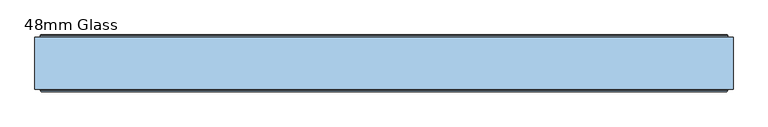
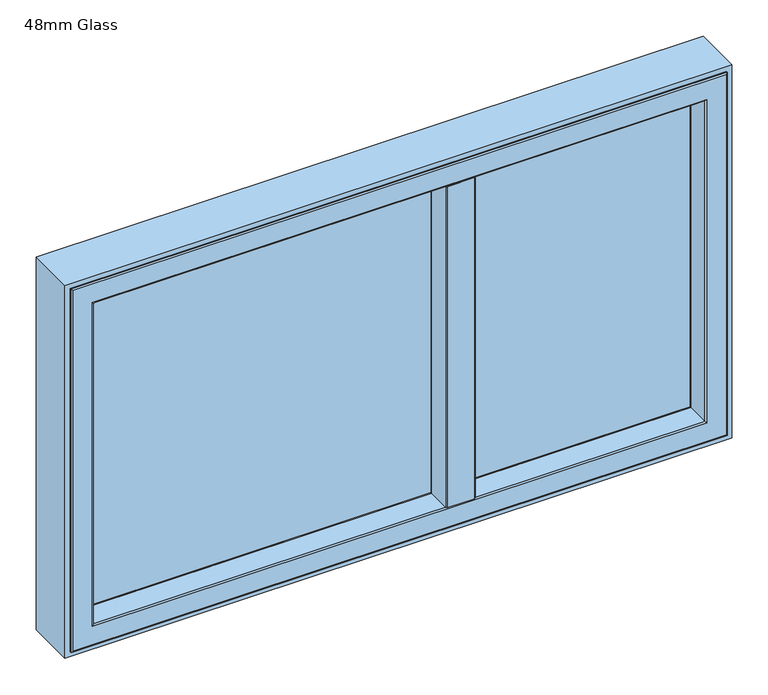
"""IFC4 building model written with IfcOpenShell, lengths in millimetres: window geometry, 48mm Glass."""

from ifc_helpers import new_model, si_unit, frame, origin, place, context, project, spatial, polyline, circle_curve, ellipse_curve, outline, extrude, source, transform, mapped, element, save
from ifc_brep_helpers import plane_surface, cylinder_surface, revolved_surface, advanced_brep


def window_48mm_glass_4b44fd19(model_context):
    return source(origin(), model_context, "Body", "SolidModel", [
        extrude(outline(polyline([(119.0, 93.0), (-702.0, 93.0), (-702.0, 141.0), (119.0, 141.0), (119.0, 93.0)])), frame((0.0, 0.0, 848.0), z_axis=(0.0, 0.0, 1.0), x_axis=(1.0, 0.0, 0.0)), (0.0, 0.0, 1.0), 792.0),
        advanced_brep(
        [(105.0, 142.3448353, 1626.0), (107.8884017, 151.7923717, 1628.8884017), (107.8884017, 151.7923717, 859.1115983), (105.0, 142.3448353, 862.0), (105.0, 141.0, 1626.0), (105.0, 141.0, 862.0), (119.0, 93.0, 1640.0), (119.0, 141.0, 1640.0), (119.0, 141.0, 848.0), (119.0, 93.0, 848.0), (105.0, 90.0, 1626.0), (105.0, 93.0, 1626.0), (105.0, 93.0, 862.0), (105.0, 90.0, 862.0), (129.822025, 145.5609347, 1650.822025), (123.0, 90.0, 1644.0), (123.0, 90.0, 844.0), (129.822025, 145.5609347, 837.177975), (130.6, 147.2, 1651.6), (130.6, 147.2, 836.4), (130.6, 150.5, 1651.6), (130.6, 150.5, 836.4), (126.22, 151.5, 1647.22), (126.22, 150.5, 1647.22), (126.22, 150.5, 840.78), (126.22, 151.5, 840.78), (125.22, 152.5, 1646.22), (125.22, 152.5, 841.78), (108.8447065, 152.5, 1629.8447065), (108.8447065, 152.5, 858.1552935), (-690.8884017, 151.7923717, 859.1115983), (-688.0, 142.3448353, 862.0), (-688.0, 141.0, 862.0), (-702.0, 141.0, 848.0), (-702.0, 93.0, 848.0), (-688.0, 93.0, 862.0), (-688.0, 90.0, 862.0), (-706.0, 90.0, 844.0), (-712.822025, 145.5609347, 837.177975), (-713.6, 147.2, 836.4), (-713.6, 150.5, 836.4), (-709.22, 150.5, 840.78), (-709.22, 151.5, 840.78), (-708.22, 152.5, 841.78), (-691.8447065, 152.5, 858.1552935), (-690.8884017, 151.7923717, 1628.8884017), (-688.0, 142.3448353, 1626.0), (-688.0, 141.0, 1626.0), (-702.0, 141.0, 1640.0), (-702.0, 93.0, 1640.0), (-688.0, 93.0, 1626.0), (-688.0, 90.0, 1626.0), (-706.0, 90.0, 1644.0), (-712.822025, 145.5609347, 1650.822025), (-713.6, 147.2, 1651.6), (-713.6, 150.5, 1651.6), (-709.22, 150.5, 1647.22), (-709.22, 151.5, 1647.22), (-708.22, 152.5, 1646.22), (-691.8447065, 152.5, 1629.8447065)],
        [
            (0, 1),
            (1, 2),
            (2, 3),
            (3, 0),
            (4, 0),
            (3, 5),
            (5, 4),
            (6, 7),
            (7, 8),
            (8, 9),
            (9, 6),
            (10, 11),
            (11, 12),
            (12, 13),
            (13, 10),
            (14, 15),
            (15, 16),
            (16, 17),
            (17, 14),
            (18, 14),
            (17, 19),
            (19, 18),
            (20, 18),
            (19, 21),
            (21, 20),
            (22, 23),
            (23, 24),
            (24, 25),
            (25, 22),
            (26, 22, ellipse_curve(frame((125.22, 151.5, 1646.22), z_axis=(0.7071067811865475, 0.0, -0.7071067811865475), x_axis=(0.7071067811865474, 0.0, 0.7071067811865476)), 1.4142136, 1.0)),
            (25, 27, ellipse_curve(frame((125.22, 151.5, 841.78), z_axis=(0.7071067811865475, 0.0, 0.7071067811865475), x_axis=(-0.7071067811865474, 0.0, 0.7071067811865476)), 1.4142136, 1.0)),
            (27, 26),
            (1, 28, ellipse_curve(frame((108.8447065, 151.5, 1629.8447065), z_axis=(0.7071067811865475, 0.0, -0.7071067811865475), x_axis=(0.7071067811865474, 0.0, 0.7071067811865476)), 1.4142136, 1.0)),
            (28, 29),
            (29, 2, ellipse_curve(frame((108.8447065, 151.5, 858.1552935), z_axis=(0.7071067811865475, 0.0, 0.7071067811865475), x_axis=(-0.7071067811865474, 0.0, 0.7071067811865476)), 1.4142136, 1.0)),
            (2, 30),
            (30, 31),
            (31, 3),
            (31, 32),
            (32, 5),
            (8, 33),
            (33, 34),
            (34, 9),
            (12, 35),
            (35, 36),
            (36, 13),
            (16, 37),
            (37, 38),
            (38, 17),
            (38, 39),
            (39, 19),
            (39, 40),
            (40, 21),
            (24, 41),
            (41, 42),
            (42, 25),
            (42, 43, ellipse_curve(frame((-708.22, 151.5, 841.78), z_axis=(0.7071067811865475, 0.0, -0.7071067811865475), x_axis=(0.7071067811865476, 0.0, 0.7071067811865474)), 1.4142136, 1.0)),
            (43, 27),
            (29, 44),
            (44, 30, ellipse_curve(frame((-691.8447065, 151.5, 858.1552935), z_axis=(0.7071067811865475, 0.0, -0.7071067811865475), x_axis=(0.7071067811865476, 0.0, 0.7071067811865474)), 1.4142136, 1.0)),
            (30, 45),
            (45, 46),
            (46, 31),
            (46, 47),
            (47, 32),
            (33, 48),
            (48, 49),
            (49, 34),
            (35, 50),
            (50, 51),
            (51, 36),
            (37, 52),
            (52, 53),
            (53, 38),
            (53, 54),
            (54, 39),
            (54, 55),
            (55, 40),
            (41, 56),
            (56, 57),
            (57, 42),
            (57, 58, ellipse_curve(frame((-708.22, 151.5, 1646.22), z_axis=(-0.7071067811865475, 0.0, -0.7071067811865475), x_axis=(0.7071067811865474, 0.0, -0.7071067811865476)), 1.4142136, 1.0)),
            (58, 43),
            (44, 59),
            (59, 45, ellipse_curve(frame((-691.8447065, 151.5, 1629.8447065), z_axis=(-0.7071067811865475, 0.0, -0.7071067811865475), x_axis=(0.7071067811865474, 0.0, -0.7071067811865476)), 1.4142136, 1.0)),
            (45, 1),
            (0, 46),
            (4, 47),
            (7, 48),
            (6, 49),
            (11, 50),
            (10, 51),
            (15, 52),
            (14, 53),
            (18, 54),
            (20, 55),
            (23, 56),
            (22, 57),
            (26, 58),
            (28, 59),
        ],
        [
            plane_surface(frame((107.8884017, 151.7923717, 1628.8884017), z_axis=(-0.9563047559630347, 0.29237170472273977, 0.0), x_axis=(0.0, 0.0, -1.0))),
            plane_surface(frame((105.0, 142.3448353, 1626.0), z_axis=(-1.0, 0.0, 0.0), x_axis=(0.0, 0.0, -1.0))),
            plane_surface(frame((119.0, 141.0, 1640.0), z_axis=(-1.0, 0.0, 0.0), x_axis=(0.0, 0.0, -1.0))),
            plane_surface(frame((105.0, 93.0, 1626.0), z_axis=(-1.0, 0.0, 0.0), x_axis=(0.0, 0.0, -1.0))),
            plane_surface(frame((123.0, 90.0, 1644.0), z_axis=(0.9925461516413231, -0.12186934340513905, 0.0), x_axis=(0.0, 0.0, -1.0))),
            plane_surface(frame((129.822025, 145.5609347, 1650.822025), z_axis=(0.9034015732556399, -0.4287955193786835, 0.0), x_axis=(0.0, 0.0, -1.0))),
            plane_surface(frame((130.6, 147.2, 1651.6), z_axis=(1.0, 0.0, 0.0), x_axis=(0.0, 0.0, -1.0))),
            plane_surface(frame((126.22, 150.5, 1647.22), z_axis=(1.0, 0.0, 0.0), x_axis=(0.0, 0.0, -1.0))),
            cylinder_surface(frame((125.22, 151.5, 1676.0), z_axis=(0.0, 0.0, 1.0), x_axis=(0.0, -1.0, 0.0)), 1.0),
            cylinder_surface(frame((108.8447065, 151.5, 1676.0), z_axis=(0.0, 0.0, 1.0), x_axis=(0.0, -1.0, 0.0)), 1.0),
            plane_surface(frame((107.8884017, 151.7923717, 859.1115983), z_axis=(0.0, 0.29237170472273977, 0.9563047559630347), x_axis=(-1.0, 0.0, 0.0))),
            plane_surface(frame((105.0, 142.3448353, 862.0), z_axis=(0.0, 0.0, 1.0), x_axis=(-1.0, 0.0, 0.0))),
            plane_surface(frame((119.0, 141.0, 848.0), z_axis=(0.0, 0.0, 1.0), x_axis=(-1.0, 0.0, 0.0))),
            plane_surface(frame((105.0, 93.0, 862.0), z_axis=(0.0, 0.0, 1.0), x_axis=(-1.0, 0.0, 0.0))),
            plane_surface(frame((123.0, 90.0, 844.0), z_axis=(0.0, -0.12186934340513905, -0.9925461516413231), x_axis=(-1.0, 0.0, 0.0))),
            plane_surface(frame((129.822025, 145.5609347, 837.177975), z_axis=(0.0, -0.4287955193786835, -0.9034015732556399), x_axis=(-1.0, 0.0, 0.0))),
            plane_surface(frame((130.6, 147.2, 836.4), z_axis=(0.0, 0.0, -1.0), x_axis=(-1.0, 0.0, 0.0))),
            plane_surface(frame((126.22, 150.5, 840.78), z_axis=(0.0, 0.0, -1.0), x_axis=(-1.0, 0.0, 0.0))),
            cylinder_surface(frame((155.0, 151.5, 841.78), z_axis=(1.0, 0.0, 0.0), x_axis=(0.0, -1.0, 0.0)), 1.0),
            cylinder_surface(frame((155.0, 151.5, 858.1552935), z_axis=(1.0, 0.0, 0.0), x_axis=(0.0, -1.0, 0.0)), 1.0),
            plane_surface(frame((-690.8884017, 151.7923717, 859.1115983), z_axis=(0.9563047559630347, 0.29237170472273977, 0.0), x_axis=(0.0, 0.0, 1.0))),
            plane_surface(frame((-688.0, 142.3448353, 862.0), z_axis=(1.0, 0.0, 0.0), x_axis=(0.0, 0.0, 1.0))),
            plane_surface(frame((-702.0, 141.0, 848.0), z_axis=(1.0, 0.0, 0.0), x_axis=(0.0, 0.0, 1.0))),
            plane_surface(frame((-688.0, 93.0, 862.0), z_axis=(1.0, 0.0, 0.0), x_axis=(0.0, 0.0, 1.0))),
            plane_surface(frame((-706.0, 90.0, 844.0), z_axis=(-0.9925461516413231, -0.12186934340513905, 0.0), x_axis=(0.0, 0.0, 1.0))),
            plane_surface(frame((-712.822025, 145.5609347, 837.177975), z_axis=(-0.9034015732556399, -0.4287955193786835, 0.0), x_axis=(0.0, 0.0, 1.0))),
            plane_surface(frame((-713.6, 147.2, 836.4), z_axis=(-1.0, 0.0, 0.0), x_axis=(0.0, 0.0, 1.0))),
            plane_surface(frame((-709.22, 150.5, 840.78), z_axis=(-1.0, 0.0, 0.0), x_axis=(0.0, 0.0, 1.0))),
            cylinder_surface(frame((-708.22, 151.5, 812.0), z_axis=(0.0, 0.0, -1.0), x_axis=(0.0, -1.0, 0.0)), 1.0),
            cylinder_surface(frame((-691.8447065, 151.5, 812.0), z_axis=(0.0, 0.0, -1.0), x_axis=(0.0, -1.0, 0.0)), 1.0),
            plane_surface(frame((-690.8884017, 151.7923717, 1628.8884017), z_axis=(0.0, 0.29237170472273977, -0.9563047559630347), x_axis=(1.0, 0.0, 0.0))),
            plane_surface(frame((-688.0, 142.3448353, 1626.0), z_axis=(0.0, 0.0, -1.0), x_axis=(1.0, 0.0, 0.0))),
            plane_surface(frame((-688.0, 141.0, 1626.0), z_axis=(0.0, -1.0, 0.0), x_axis=(1.0, 0.0, 0.0))),
            plane_surface(frame((-702.0, 141.0, 1640.0), z_axis=(0.0, 0.0, -1.0), x_axis=(1.0, 0.0, 0.0))),
            plane_surface(frame((-702.0, 93.0, 1640.0), z_axis=(0.0, 1.0, 0.0), x_axis=(1.0, 0.0, 0.0))),
            plane_surface(frame((-688.0, 93.0, 1626.0), z_axis=(0.0, 0.0, -1.0), x_axis=(1.0, 0.0, 0.0))),
            plane_surface(frame((-688.0, 90.0, 1626.0), z_axis=(0.0, -1.0, 0.0), x_axis=(1.0, 0.0, 0.0))),
            plane_surface(frame((-706.0, 90.0, 1644.0), z_axis=(0.0, -0.12186934340513905, 0.9925461516413231), x_axis=(1.0, 0.0, 0.0))),
            plane_surface(frame((-712.822025, 145.5609347, 1650.822025), z_axis=(0.0, -0.4287955193786835, 0.9034015732556399), x_axis=(1.0, 0.0, 0.0))),
            plane_surface(frame((-713.6, 147.2, 1651.6), z_axis=(0.0, 0.0, 1.0), x_axis=(1.0, 0.0, 0.0))),
            plane_surface(frame((-713.6, 150.5, 1651.6), z_axis=(0.0, 1.0, 0.0), x_axis=(1.0, 0.0, 0.0))),
            plane_surface(frame((-709.22, 150.5, 1647.22), z_axis=(0.0, 0.0, 1.0), x_axis=(1.0, 0.0, 0.0))),
            cylinder_surface(frame((-738.0, 151.5, 1646.22), z_axis=(-1.0, 0.0, 0.0), x_axis=(0.0, -1.0, 0.0)), 1.0),
            plane_surface(frame((-708.22, 152.5, 1646.22), z_axis=(0.0, 1.0, 0.0), x_axis=(1.0, 0.0, 0.0))),
            cylinder_surface(frame((-738.0, 151.5, 1629.8447065), z_axis=(-1.0, 0.0, 0.0), x_axis=(0.0, -1.0, 0.0)), 1.0),
        ],
        [
            (0, [[1, 2, 3, 4]]),
            (1, [[5, -4, 6, 7]]),
            (2, [[8, 9, 10, 11]]),
            (3, [[12, 13, 14, 15]]),
            (4, [[16, 17, 18, 19]]),
            (5, [[20, -19, 21, 22]]),
            (6, [[23, -22, 24, 25]]),
            (7, [[26, 27, 28, 29]]),
            (8, [[30, -29, 31, 32]]),
            (9, [[33, 34, 35, -2]]),
            (10, [[-3, 36, 37, 38]]),
            (11, [[-6, -38, 39, 40]]),
            (12, [[-10, 41, 42, 43]]),
            (13, [[-14, 44, 45, 46]]),
            (14, [[-18, 47, 48, 49]]),
            (15, [[-21, -49, 50, 51]]),
            (16, [[-24, -51, 52, 53]]),
            (17, [[-28, 54, 55, 56]]),
            (18, [[-31, -56, 57, 58]]),
            (19, [[-35, 59, 60, -36]]),
            (20, [[-37, 61, 62, 63]]),
            (21, [[-39, -63, 64, 65]]),
            (22, [[-42, 66, 67, 68]]),
            (23, [[-45, 69, 70, 71]]),
            (24, [[-48, 72, 73, 74]]),
            (25, [[-50, -74, 75, 76]]),
            (26, [[-52, -76, 77, 78]]),
            (27, [[-55, 79, 80, 81]]),
            (28, [[-57, -81, 82, 83]]),
            (29, [[-60, 84, 85, -61]]),
            (30, [[-62, 86, -1, 87]]),
            (31, [[-64, -87, -5, 88]]),
            (32, [[89, -66, -41, -9], [-40, -65, -88, -7]]),
            (33, [[-67, -89, -8, 90]]),
            (34, [[-43, -68, -90, -11], [91, -69, -44, -13]]),
            (35, [[-70, -91, -12, 92]]),
            (36, [[93, -72, -47, -17], [-46, -71, -92, -15]]),
            (37, [[-73, -93, -16, 94]]),
            (38, [[-75, -94, -20, 95]]),
            (39, [[-77, -95, -23, 96]]),
            (40, [[-53, -78, -96, -25], [97, -79, -54, -27]]),
            (41, [[-80, -97, -26, 98]]),
            (42, [[-82, -98, -30, 99]]),
            (43, [[-58, -83, -99, -32], [100, -84, -59, -34]]),
            (44, [[-85, -100, -33, -86]]),
        ],
    ),
        extrude(outline(polyline([(702.0, 93.0), (157.0, 93.0), (157.0, 141.0), (702.0, 141.0), (702.0, 93.0)])), frame((0.0, 0.0, 848.0), z_axis=(0.0, 0.0, 1.0), x_axis=(1.0, 0.0, 0.0)), (0.0, 0.0, 1.0), 792.0),
        advanced_brep(
        [(688.0, 142.3448353, 1626.0), (690.8884017, 151.7923717, 1628.8884017), (690.8884017, 151.7923717, 859.1115983), (688.0, 142.3448353, 862.0), (688.0, 141.0, 1626.0), (688.0, 141.0, 862.0), (702.0, 93.0, 1640.0), (702.0, 141.0, 1640.0), (702.0, 141.0, 848.0), (702.0, 93.0, 848.0), (688.0, 90.0, 1626.0), (688.0, 93.0, 1626.0), (688.0, 93.0, 862.0), (688.0, 90.0, 862.0), (712.822025, 145.5609347, 1650.822025), (706.0, 90.0, 1644.0), (706.0, 90.0, 844.0), (712.822025, 145.5609347, 837.177975), (713.6, 147.2, 1651.6), (713.6, 147.2, 836.4), (713.6, 150.5, 1651.6), (713.6, 150.5, 836.4), (709.22, 151.5, 1647.22), (709.22, 150.5, 1647.22), (709.22, 150.5, 840.78), (709.22, 151.5, 840.78), (708.22, 152.5, 1646.22), (708.22, 152.5, 841.78), (691.8447065, 152.5, 1629.8447065), (691.8447065, 152.5, 858.1552935), (168.1115983, 151.7923717, 859.1115983), (171.0, 142.3448353, 862.0), (171.0, 141.0, 862.0), (157.0, 141.0, 848.0), (157.0, 93.0, 848.0), (171.0, 93.0, 862.0), (171.0, 90.0, 862.0), (153.0, 90.0, 844.0), (146.177975, 145.5609347, 837.177975), (145.4, 147.2, 836.4), (145.4, 150.5, 836.4), (149.78, 150.5, 840.78), (149.78, 151.5, 840.78), (150.78, 152.5, 841.78), (167.1552935, 152.5, 858.1552935), (168.1115983, 151.7923717, 1628.8884017), (171.0, 142.3448353, 1626.0), (171.0, 141.0, 1626.0), (157.0, 141.0, 1640.0), (157.0, 93.0, 1640.0), (171.0, 93.0, 1626.0), (171.0, 90.0, 1626.0), (153.0, 90.0, 1644.0), (146.177975, 145.5609347, 1650.822025), (145.4, 147.2, 1651.6), (145.4, 150.5, 1651.6), (149.78, 150.5, 1647.22), (149.78, 151.5, 1647.22), (150.78, 152.5, 1646.22), (167.1552935, 152.5, 1629.8447065)],
        [
            (0, 1),
            (1, 2),
            (2, 3),
            (3, 0),
            (4, 0),
            (3, 5),
            (5, 4),
            (6, 7),
            (7, 8),
            (8, 9),
            (9, 6),
            (10, 11),
            (11, 12),
            (12, 13),
            (13, 10),
            (14, 15),
            (15, 16),
            (16, 17),
            (17, 14),
            (18, 14),
            (17, 19),
            (19, 18),
            (20, 18),
            (19, 21),
            (21, 20),
            (22, 23),
            (23, 24),
            (24, 25),
            (25, 22),
            (26, 22, ellipse_curve(frame((708.22, 151.5, 1646.22), z_axis=(0.7071067811865475, 0.0, -0.7071067811865475), x_axis=(0.7071067811865474, 0.0, 0.7071067811865476)), 1.4142136, 1.0)),
            (25, 27, ellipse_curve(frame((708.22, 151.5, 841.78), z_axis=(0.7071067811865475, 0.0, 0.7071067811865475), x_axis=(-0.7071067811865474, 0.0, 0.7071067811865476)), 1.4142136, 1.0)),
            (27, 26),
            (1, 28, ellipse_curve(frame((691.8447065, 151.5, 1629.8447065), z_axis=(0.7071067811865475, 0.0, -0.7071067811865475), x_axis=(0.7071067811865474, 0.0, 0.7071067811865476)), 1.4142136, 1.0)),
            (28, 29),
            (29, 2, ellipse_curve(frame((691.8447065, 151.5, 858.1552935), z_axis=(0.7071067811865475, 0.0, 0.7071067811865475), x_axis=(-0.7071067811865474, 0.0, 0.7071067811865476)), 1.4142136, 1.0)),
            (2, 30),
            (30, 31),
            (31, 3),
            (31, 32),
            (32, 5),
            (8, 33),
            (33, 34),
            (34, 9),
            (12, 35),
            (35, 36),
            (36, 13),
            (16, 37),
            (37, 38),
            (38, 17),
            (38, 39),
            (39, 19),
            (39, 40),
            (40, 21),
            (24, 41),
            (41, 42),
            (42, 25),
            (42, 43, ellipse_curve(frame((150.78, 151.5, 841.78), z_axis=(0.7071067811865475, 0.0, -0.7071067811865475), x_axis=(0.7071067811865476, 0.0, 0.7071067811865474)), 1.4142136, 1.0)),
            (43, 27),
            (29, 44),
            (44, 30, ellipse_curve(frame((167.1552935, 151.5, 858.1552935), z_axis=(0.7071067811865475, 0.0, -0.7071067811865475), x_axis=(0.7071067811865476, 0.0, 0.7071067811865474)), 1.4142136, 1.0)),
            (30, 45),
            (45, 46),
            (46, 31),
            (46, 47),
            (47, 32),
            (33, 48),
            (48, 49),
            (49, 34),
            (35, 50),
            (50, 51),
            (51, 36),
            (37, 52),
            (52, 53),
            (53, 38),
            (53, 54),
            (54, 39),
            (54, 55),
            (55, 40),
            (41, 56),
            (56, 57),
            (57, 42),
            (57, 58, ellipse_curve(frame((150.78, 151.5, 1646.22), z_axis=(-0.7071067811865475, 0.0, -0.7071067811865475), x_axis=(0.7071067811865474, 0.0, -0.7071067811865476)), 1.4142136, 1.0)),
            (58, 43),
            (44, 59),
            (59, 45, ellipse_curve(frame((167.1552935, 151.5, 1629.8447065), z_axis=(-0.7071067811865475, 0.0, -0.7071067811865475), x_axis=(0.7071067811865474, 0.0, -0.7071067811865476)), 1.4142136, 1.0)),
            (45, 1),
            (0, 46),
            (4, 47),
            (7, 48),
            (6, 49),
            (11, 50),
            (10, 51),
            (15, 52),
            (14, 53),
            (18, 54),
            (20, 55),
            (23, 56),
            (22, 57),
            (26, 58),
            (28, 59),
        ],
        [
            plane_surface(frame((690.8884017, 151.7923717, 1628.8884017), z_axis=(-0.9563047559630347, 0.29237170472273977, 0.0), x_axis=(0.0, 0.0, -1.0))),
            plane_surface(frame((688.0, 142.3448353, 1626.0), z_axis=(-1.0, 0.0, 0.0), x_axis=(0.0, 0.0, -1.0))),
            plane_surface(frame((702.0, 141.0, 1640.0), z_axis=(-1.0, 0.0, 0.0), x_axis=(0.0, 0.0, -1.0))),
            plane_surface(frame((688.0, 93.0, 1626.0), z_axis=(-1.0, 0.0, 0.0), x_axis=(0.0, 0.0, -1.0))),
            plane_surface(frame((706.0, 90.0, 1644.0), z_axis=(0.9925461516413231, -0.12186934340513905, 0.0), x_axis=(0.0, 0.0, -1.0))),
            plane_surface(frame((712.822025, 145.5609347, 1650.822025), z_axis=(0.9034015732556399, -0.4287955193786835, 0.0), x_axis=(0.0, 0.0, -1.0))),
            plane_surface(frame((713.6, 147.2, 1651.6), z_axis=(1.0, 0.0, 0.0), x_axis=(0.0, 0.0, -1.0))),
            plane_surface(frame((709.22, 150.5, 1647.22), z_axis=(1.0, 0.0, 0.0), x_axis=(0.0, 0.0, -1.0))),
            cylinder_surface(frame((708.22, 151.5, 1676.0), z_axis=(0.0, 0.0, 1.0), x_axis=(0.0, -1.0, 0.0)), 1.0),
            cylinder_surface(frame((691.8447065, 151.5, 1676.0), z_axis=(0.0, 0.0, 1.0), x_axis=(0.0, -1.0, 0.0)), 1.0),
            plane_surface(frame((690.8884017, 151.7923717, 859.1115983), z_axis=(0.0, 0.29237170472273977, 0.9563047559630347), x_axis=(-1.0, 0.0, 0.0))),
            plane_surface(frame((688.0, 142.3448353, 862.0), z_axis=(0.0, 0.0, 1.0), x_axis=(-1.0, 0.0, 0.0))),
            plane_surface(frame((702.0, 141.0, 848.0), z_axis=(0.0, 0.0, 1.0), x_axis=(-1.0, 0.0, 0.0))),
            plane_surface(frame((688.0, 93.0, 862.0), z_axis=(0.0, 0.0, 1.0), x_axis=(-1.0, 0.0, 0.0))),
            plane_surface(frame((706.0, 90.0, 844.0), z_axis=(0.0, -0.12186934340513905, -0.9925461516413231), x_axis=(-1.0, 0.0, 0.0))),
            plane_surface(frame((712.822025, 145.5609347, 837.177975), z_axis=(0.0, -0.4287955193786835, -0.9034015732556399), x_axis=(-1.0, 0.0, 0.0))),
            plane_surface(frame((713.6, 147.2, 836.4), z_axis=(0.0, 0.0, -1.0), x_axis=(-1.0, 0.0, 0.0))),
            plane_surface(frame((709.22, 150.5, 840.78), z_axis=(0.0, 0.0, -1.0), x_axis=(-1.0, 0.0, 0.0))),
            cylinder_surface(frame((738.0, 151.5, 841.78), z_axis=(1.0, 0.0, 0.0), x_axis=(0.0, -1.0, 0.0)), 1.0),
            cylinder_surface(frame((738.0, 151.5, 858.1552935), z_axis=(1.0, 0.0, 0.0), x_axis=(0.0, -1.0, 0.0)), 1.0),
            plane_surface(frame((168.1115983, 151.7923717, 859.1115983), z_axis=(0.9563047559630347, 0.29237170472273977, 0.0), x_axis=(0.0, 0.0, 1.0))),
            plane_surface(frame((171.0, 142.3448353, 862.0), z_axis=(1.0, 0.0, 0.0), x_axis=(0.0, 0.0, 1.0))),
            plane_surface(frame((157.0, 141.0, 848.0), z_axis=(1.0, 0.0, 0.0), x_axis=(0.0, 0.0, 1.0))),
            plane_surface(frame((171.0, 93.0, 862.0), z_axis=(1.0, 0.0, 0.0), x_axis=(0.0, 0.0, 1.0))),
            plane_surface(frame((153.0, 90.0, 844.0), z_axis=(-0.9925461516413231, -0.12186934340513905, 0.0), x_axis=(0.0, 0.0, 1.0))),
            plane_surface(frame((146.177975, 145.5609347, 837.177975), z_axis=(-0.9034015732556399, -0.4287955193786835, 0.0), x_axis=(0.0, 0.0, 1.0))),
            plane_surface(frame((145.4, 147.2, 836.4), z_axis=(-1.0, 0.0, 0.0), x_axis=(0.0, 0.0, 1.0))),
            plane_surface(frame((149.78, 150.5, 840.78), z_axis=(-1.0, 0.0, 0.0), x_axis=(0.0, 0.0, 1.0))),
            cylinder_surface(frame((150.78, 151.5, 812.0), z_axis=(0.0, 0.0, -1.0), x_axis=(0.0, -1.0, 0.0)), 1.0),
            cylinder_surface(frame((167.1552935, 151.5, 812.0), z_axis=(0.0, 0.0, -1.0), x_axis=(0.0, -1.0, 0.0)), 1.0),
            plane_surface(frame((168.1115983, 151.7923717, 1628.8884017), z_axis=(0.0, 0.29237170472273977, -0.9563047559630347), x_axis=(1.0, 0.0, 0.0))),
            plane_surface(frame((171.0, 142.3448353, 1626.0), z_axis=(0.0, 0.0, -1.0), x_axis=(1.0, 0.0, 0.0))),
            plane_surface(frame((171.0, 141.0, 1626.0), z_axis=(0.0, -1.0, 0.0), x_axis=(1.0, 0.0, 0.0))),
            plane_surface(frame((157.0, 141.0, 1640.0), z_axis=(0.0, 0.0, -1.0), x_axis=(1.0, 0.0, 0.0))),
            plane_surface(frame((157.0, 93.0, 1640.0), z_axis=(0.0, 1.0, 0.0), x_axis=(1.0, 0.0, 0.0))),
            plane_surface(frame((171.0, 93.0, 1626.0), z_axis=(0.0, 0.0, -1.0), x_axis=(1.0, 0.0, 0.0))),
            plane_surface(frame((171.0, 90.0, 1626.0), z_axis=(0.0, -1.0, 0.0), x_axis=(1.0, 0.0, 0.0))),
            plane_surface(frame((153.0, 90.0, 1644.0), z_axis=(0.0, -0.12186934340513905, 0.9925461516413231), x_axis=(1.0, 0.0, 0.0))),
            plane_surface(frame((146.177975, 145.5609347, 1650.822025), z_axis=(0.0, -0.4287955193786835, 0.9034015732556399), x_axis=(1.0, 0.0, 0.0))),
            plane_surface(frame((145.4, 147.2, 1651.6), z_axis=(0.0, 0.0, 1.0), x_axis=(1.0, 0.0, 0.0))),
            plane_surface(frame((145.4, 150.5, 1651.6), z_axis=(0.0, 1.0, 0.0), x_axis=(1.0, 0.0, 0.0))),
            plane_surface(frame((149.78, 150.5, 1647.22), z_axis=(0.0, 0.0, 1.0), x_axis=(1.0, 0.0, 0.0))),
            cylinder_surface(frame((121.0, 151.5, 1646.22), z_axis=(-1.0, 0.0, 0.0), x_axis=(0.0, -1.0, 0.0)), 1.0),
            plane_surface(frame((150.78, 152.5, 1646.22), z_axis=(0.0, 1.0, 0.0), x_axis=(1.0, 0.0, 0.0))),
            cylinder_surface(frame((121.0, 151.5, 1629.8447065), z_axis=(-1.0, 0.0, 0.0), x_axis=(0.0, -1.0, 0.0)), 1.0),
        ],
        [
            (0, [[1, 2, 3, 4]]),
            (1, [[5, -4, 6, 7]]),
            (2, [[8, 9, 10, 11]]),
            (3, [[12, 13, 14, 15]]),
            (4, [[16, 17, 18, 19]]),
            (5, [[20, -19, 21, 22]]),
            (6, [[23, -22, 24, 25]]),
            (7, [[26, 27, 28, 29]]),
            (8, [[30, -29, 31, 32]]),
            (9, [[33, 34, 35, -2]]),
            (10, [[-3, 36, 37, 38]]),
            (11, [[-6, -38, 39, 40]]),
            (12, [[-10, 41, 42, 43]]),
            (13, [[-14, 44, 45, 46]]),
            (14, [[-18, 47, 48, 49]]),
            (15, [[-21, -49, 50, 51]]),
            (16, [[-24, -51, 52, 53]]),
            (17, [[-28, 54, 55, 56]]),
            (18, [[-31, -56, 57, 58]]),
            (19, [[-35, 59, 60, -36]]),
            (20, [[-37, 61, 62, 63]]),
            (21, [[-39, -63, 64, 65]]),
            (22, [[-42, 66, 67, 68]]),
            (23, [[-45, 69, 70, 71]]),
            (24, [[-48, 72, 73, 74]]),
            (25, [[-50, -74, 75, 76]]),
            (26, [[-52, -76, 77, 78]]),
            (27, [[-55, 79, 80, 81]]),
            (28, [[-57, -81, 82, 83]]),
            (29, [[-60, 84, 85, -61]]),
            (30, [[-62, 86, -1, 87]]),
            (31, [[-64, -87, -5, 88]]),
            (32, [[89, -66, -41, -9], [-40, -65, -88, -7]]),
            (33, [[-67, -89, -8, 90]]),
            (34, [[-43, -68, -90, -11], [91, -69, -44, -13]]),
            (35, [[-70, -91, -12, 92]]),
            (36, [[93, -72, -47, -17], [-46, -71, -92, -15]]),
            (37, [[-73, -93, -16, 94]]),
            (38, [[-75, -94, -20, 95]]),
            (39, [[-77, -95, -23, 96]]),
            (40, [[-53, -78, -96, -25], [97, -79, -54, -27]]),
            (41, [[-80, -97, -26, 98]]),
            (42, [[-82, -98, -30, 99]]),
            (43, [[-58, -83, -99, -32], [100, -84, -59, -34]]),
            (44, [[-85, -100, -33, -86]]),
        ],
    ),
        advanced_brep(
        [(121.6729121, 91.0, 862.0), (105.0, 91.0, 862.0), (105.0, 91.0, 1626.0), (121.6729121, 91.0, 1626.0), (105.0, 35.0, 862.0), (105.0, 35.0, 1626.0), (108.0, 32.0, 862.0), (168.0, 32.0, 862.0), (168.0, 32.0, 1626.0), (108.0, 32.0, 1626.0), (171.0, 35.0, 862.0), (171.0, 91.0, 862.0), (171.0, 91.0, 1626.0), (171.0, 35.0, 1626.0), (154.3270879, 91.0, 862.0), (154.3270879, 91.0, 1626.0), (152.8419376, 92.2894565, 843.8416747), (146.1893048, 146.5609347, 837.177975), (146.1893048, 146.5609347, 1650.822025), (152.8419376, 92.2894565, 1644.1583253), (129.8106952, 146.5609347, 837.177975), (123.1580624, 92.2894565, 843.8416747), (123.1580624, 92.2894565, 1644.1583253), (129.8106952, 146.5609347, 1650.822025), (121.6729121, 91.0, 844.0), (154.3270879, 91.0, 844.0), (145.4, 153.0, 836.4), (130.6, 153.0, 836.4), (131.6, 154.0, 836.4), (144.4, 154.0, 836.4), (130.6, 148.3029671, 836.9640803), (145.4, 148.3029671, 836.9640803), (154.3270879, 91.0, 1644.0), (121.6729121, 91.0, 1644.0), (130.6, 153.0, 1651.6), (145.4, 153.0, 1651.6), (144.4, 154.0, 1651.6), (131.6, 154.0, 1651.6), (145.4, 148.3029671, 1651.0359197), (130.6, 148.3029671, 1651.0359197)],
        [
            (0, 1),
            (1, 2),
            (2, 3),
            (3, 0),
            (1, 4),
            (4, 5),
            (5, 2),
            (6, 7),
            (7, 8),
            (8, 9),
            (9, 6),
            (10, 11),
            (11, 12),
            (12, 13),
            (13, 10),
            (11, 14),
            (14, 15),
            (15, 12),
            (16, 17),
            (17, 18),
            (18, 19),
            (19, 16),
            (20, 21),
            (21, 22),
            (22, 23),
            (23, 20),
            (14, 0),
            (0, 24),
            (24, 25),
            (25, 14),
            (10, 7, circle_curve(frame((168.0, 35.0, 862.0), z_axis=(0.0, 0.0, -1.0), x_axis=(1.0, 0.0, 0.0)), 3.0)),
            (6, 4, circle_curve(frame((108.0, 35.0, 862.0), z_axis=(0.0, 0.0, -1.0), x_axis=(1.0, 0.0, 0.0)), 3.0)),
            (26, 27),
            (27, 28, circle_curve(frame((131.6, 153.0, 836.4), z_axis=(0.0, 0.0, -1.0), x_axis=(1.0, 0.0, 0.0)), 1.0)),
            (28, 29),
            (29, 26, circle_curve(frame((144.4, 153.0, 836.4), z_axis=(0.0, 0.0, -1.0), x_axis=(1.0, 0.0, 0.0)), 1.0)),
            (24, 21, ellipse_curve(frame((121.6729121, 92.5, 843.8158232), z_axis=(0.0, 0.12186934340514982, 0.9925461516413218), x_axis=(0.0, 0.992546151641322, -0.12186934340514925)), 1.5112647, 1.5)),
            (20, 30),
            (30, 27),
            (26, 31),
            (31, 17),
            (16, 25, ellipse_curve(frame((154.3270879, 92.5, 843.8158232), z_axis=(0.0, 0.12186934340514982, 0.9925461516413218), x_axis=(0.0, 0.992546151641322, -0.12186934340514925)), 1.5112647, 1.5)),
            (3, 15),
            (15, 32),
            (32, 33),
            (33, 3),
            (5, 9, circle_curve(frame((108.0, 35.0, 1626.0), z_axis=(0.0, 0.0, 1.0), x_axis=(1.0, 0.0, 0.0)), 3.0)),
            (8, 13, circle_curve(frame((168.0, 35.0, 1626.0), z_axis=(0.0, 0.0, 1.0), x_axis=(1.0, 0.0, 0.0)), 3.0)),
            (34, 35),
            (35, 36, circle_curve(frame((144.4, 153.0, 1651.6), z_axis=(0.0, 0.0, 1.0), x_axis=(1.0, 0.0, 0.0)), 1.0)),
            (36, 37),
            (37, 34, circle_curve(frame((131.6, 153.0, 1651.6), z_axis=(0.0, 0.0, 1.0), x_axis=(1.0, 0.0, 0.0)), 1.0)),
            (32, 19, ellipse_curve(frame((154.3270879, 92.5, 1644.1841768), z_axis=(0.0, 0.12186934340515176, -0.9925461516413215), x_axis=(0.0, -0.9925461516413217, -0.12186934340515095)), 1.5112647, 1.5)),
            (18, 38),
            (38, 35),
            (34, 39),
            (39, 23),
            (22, 33, ellipse_curve(frame((121.6729121, 92.5, 1644.1841768), z_axis=(0.0, 0.12186934340515176, -0.9925461516413215), x_axis=(0.0, -0.9925461516413217, -0.12186934340515095)), 1.5112647, 1.5)),
            (31, 38),
            (26, 35),
            (29, 36),
            (28, 37),
            (27, 34),
            (30, 39),
        ],
        [
            plane_surface(frame((121.6729121, 91.0, 1676.0), z_axis=(0.0, 1.0, 0.0), x_axis=(0.0, 0.0, -1.0))),
            plane_surface(frame((105.0, 91.0, 1676.0), z_axis=(-1.0, 0.0, 0.0), x_axis=(0.0, 0.0, -1.0))),
            plane_surface(frame((108.0, 32.0, 1676.0), z_axis=(0.0, -1.0, 0.0), x_axis=(0.0, 0.0, -1.0))),
            plane_surface(frame((171.0, 35.0, 1676.0), z_axis=(1.0, 0.0, 0.0), x_axis=(0.0, 0.0, -1.0))),
            plane_surface(frame((171.0, 91.0, 1676.0), z_axis=(0.0, 1.0, 0.0), x_axis=(0.0, 0.0, -1.0))),
            plane_surface(frame((152.8419376, 92.2894565, 1676.0), z_axis=(0.992570614202236, 0.12166994625706033, 0.0), x_axis=(0.0, 0.0, -1.0))),
            plane_surface(frame((129.8106952, 146.5609347, 1676.0), z_axis=(-0.9925706142022382, 0.1216699462570421, 0.0), x_axis=(0.0, 0.0, -1.0))),
            plane_surface(frame((388.0, 91.0, 844.0), z_axis=(0.0, -1.0, 0.0), x_axis=(-1.0, 0.0, 0.0))),
            plane_surface(frame((388.0, 91.0, 862.0), z_axis=(0.0, 0.0, -1.0), x_axis=(-1.0, 0.0, 0.0))),
            plane_surface(frame((388.0, 154.0, 836.4), z_axis=(0.0, 0.0, -1.0), x_axis=(-1.0, 0.0, 0.0))),
            plane_surface(frame((388.0, 152.8970329, 836.4), z_axis=(0.0, -0.12186934340514982, -0.9925461516413218), x_axis=(-1.0, 0.0, 0.0))),
            plane_surface(frame((388.0, 91.0, 1626.0), z_axis=(0.0, -1.0, 0.0), x_axis=(-1.0, 0.0, 0.0))),
            plane_surface(frame((388.0, 32.0, 1626.0), z_axis=(0.0, 0.0, 1.0), x_axis=(-1.0, 0.0, 0.0))),
            plane_surface(frame((388.0, 152.8970329, 1651.6), z_axis=(0.0, 0.0, 1.0), x_axis=(-1.0, 0.0, 0.0))),
            plane_surface(frame((388.0, 91.0, 1644.0), z_axis=(0.0, -0.12186934340515176, 0.9925461516413215), x_axis=(-1.0, 0.0, 0.0))),
            revolved_surface(polyline([(123.1729121, 92.5, 843.6316463632995), (123.1729121, 92.5, 1644.3683536367002)]), (121.6729121, 92.5, 812.0), (0.0, 0.0, -1.0)),
            cylinder_surface(frame((108.0, 35.0, 812.0), z_axis=(0.0, 0.0, 1.0), x_axis=(1.0, 0.0, 0.0)), 3.0),
            cylinder_surface(frame((168.0, 35.0, 812.0), z_axis=(0.0, 0.0, 1.0), x_axis=(1.0, 0.0, 0.0)), 3.0),
            revolved_surface(polyline([(155.8270879, 92.5, 843.6316463632995), (155.8270879, 92.5, 1644.3683536367002)]), (154.3270879, 92.5, 812.0), (0.0, 0.0, -1.0)),
            plane_surface(frame((146.1893048, 146.5609347, 1676.0), z_axis=(0.9108637981505031, 0.4127070888885235, 0.0), x_axis=(0.0, 0.0, -1.0))),
            plane_surface(frame((145.4, 148.3029671, 1676.0), z_axis=(1.0, 0.0, 0.0), x_axis=(0.0, 0.0, -1.0))),
            cylinder_surface(frame((144.4, 153.0, 812.0), z_axis=(0.0, 0.0, 1.0), x_axis=(1.0, 0.0, 0.0)), 1.0),
            plane_surface(frame((144.4, 154.0, 1676.0), z_axis=(0.0, 1.0, 0.0), x_axis=(0.0, 0.0, -1.0))),
            cylinder_surface(frame((131.6, 153.0, 812.0), z_axis=(0.0, 0.0, 1.0), x_axis=(1.0, 0.0, 0.0)), 1.0),
            plane_surface(frame((130.6, 153.0, 1676.0), z_axis=(-1.0, 0.0, 0.0), x_axis=(0.0, 0.0, -1.0))),
            plane_surface(frame((130.6, 148.3029671, 1676.0), z_axis=(-0.9108637981452258, 0.41270708890017077, 0.0), x_axis=(0.0, 0.0, -1.0))),
        ],
        [
            (0, [[1, 2, 3, 4]]),
            (1, [[5, 6, 7, -2]]),
            (2, [[8, 9, 10, 11]]),
            (3, [[12, 13, 14, 15]]),
            (4, [[16, 17, 18, -13]]),
            (5, [[19, 20, 21, 22]]),
            (6, [[23, 24, 25, 26]]),
            (7, [[27, 28, 29, 30]]),
            (8, [[-27, -16, -12, 31, -8, 32, -5, -1]]),
            (9, [[33, 34, 35, 36]]),
            (10, [[-29, 37, -23, 38, 39, -33, 40, 41, -19, 42]]),
            (11, [[43, 44, 45, 46]]),
            (12, [[-43, -3, -7, 47, -10, 48, -14, -18]]),
            (13, [[49, 50, 51, 52]]),
            (14, [[-45, 53, -21, 54, 55, -49, 56, 57, -25, 58]]),
            (15, [[-28, -4, -46, -58, -24, -37]]),
            (16, [[-32, -11, -47, -6]]),
            (17, [[-31, -15, -48, -9]]),
            (18, [[-30, -42, -22, -53, -44, -17]]),
            (19, [[-41, 59, -54, -20]]),
            (20, [[-40, 60, -55, -59]]),
            (21, [[-36, 61, -50, -60]]),
            (22, [[-35, 62, -51, -61]]),
            (23, [[-34, 63, -52, -62]]),
            (24, [[-39, 64, -56, -63]]),
            (25, [[-38, -26, -57, -64]]),
        ],
    ),
        advanced_brep(
        [(-689.5, 91.0, 1627.5), (-688.0, 89.5, 1626.0), (-688.0, 89.5, 862.0), (-689.5, 91.0, 860.5), (-688.0, 35.0, 1626.0), (-688.0, 35.0, 862.0), (688.0, 89.5, 862.0), (689.5, 91.0, 860.5), (704.6498733, 91.0, 1642.6498733), (704.6498733, 91.0, 845.3501267), (-704.6498733, 91.0, 845.3501267), (-704.6498733, 91.0, 1642.6498733), (689.5, 91.0, 1627.5), (-706.1386925, 92.317196, 1644.1386925), (-706.1386925, 92.317196, 843.8613075), (706.1386925, 92.317196, 843.8613075), (-712.7857488, 146.453125, 1650.7857488), (-712.7857488, 146.453125, 837.2142512), (712.7857488, 146.453125, 837.2142512), (713.6, 146.453125, 1651.6), (713.6, 146.453125, 836.4), (-713.6, 146.453125, 836.4), (-713.6, 146.453125, 1651.6), (712.7857488, 146.453125, 1650.7857488), (-713.6, 153.0, 1651.6), (-713.6, 153.0, 836.4), (713.6, 153.0, 836.4), (-714.6, 154.0, 1652.6), (-714.6, 154.0, 835.4), (714.6, 154.0, 835.4), (737.0, 154.0, 1675.0), (737.0, 154.0, 813.0), (-737.0, 154.0, 813.0), (-737.0, 154.0, 1675.0), (714.6, 154.0, 1652.6), (-738.0, 153.0, 1676.0), (-738.0, 153.0, 812.0), (738.0, 153.0, 812.0), (-738.0, 35.0, 1676.0), (-738.0, 35.0, 812.0), (738.0, 35.0, 812.0), (-735.0, 32.0, 1673.0), (-735.0, 32.0, 815.0), (735.0, 32.0, 815.0), (735.0, 32.0, 1673.0), (691.0, 32.0, 1629.0), (691.0, 32.0, 859.0), (-691.0, 32.0, 859.0), (-691.0, 32.0, 1629.0), (688.0, 35.0, 862.0), (688.0, 89.5, 1626.0), (706.1386925, 92.317196, 1644.1386925), (713.6, 153.0, 1651.6), (738.0, 153.0, 1676.0), (738.0, 35.0, 1676.0), (688.0, 35.0, 1626.0)],
        [
            (0, 1, ellipse_curve(frame((-689.5, 89.5, 1627.5), z_axis=(-0.7071067811865475, 0.0, -0.7071067811865475), x_axis=(-0.7071067811865474, 0.0, 0.7071067811865476)), 2.1213203, 1.5)),
            (1, 2),
            (2, 3, ellipse_curve(frame((-689.5, 89.5, 860.5), z_axis=(-0.7071067811865475, 0.0, 0.7071067811865475), x_axis=(0.7071067811865474, 0.0, 0.7071067811865476)), 2.1213203, 1.5)),
            (3, 0),
            (1, 4),
            (4, 5),
            (5, 2),
            (2, 6),
            (6, 7, ellipse_curve(frame((689.5, 89.5, 860.5), z_axis=(-0.7071067811865475, 0.0, -0.7071067811865475), x_axis=(-0.7071067811865476, 0.0, 0.7071067811865474)), 2.1213203, 1.5)),
            (7, 3),
            (8, 9),
            (9, 10),
            (10, 11),
            (11, 8),
            (7, 12),
            (12, 0),
            (13, 11, ellipse_curve(frame((-704.6498733, 92.5, 1642.6498733), z_axis=(0.7071067811865475, 0.0, 0.7071067811865475), x_axis=(0.7071067811865474, 0.0, -0.7071067811865476)), 2.1213203, 1.5)),
            (10, 14, ellipse_curve(frame((-704.6498733, 92.5, 845.3501267), z_axis=(0.7071067811865475, 0.0, -0.7071067811865475), x_axis=(-0.7071067811865474, 0.0, -0.7071067811865476)), 2.1213203, 1.5)),
            (14, 13),
            (9, 15, ellipse_curve(frame((704.6498733, 92.5, 845.3501267), z_axis=(0.7071067811865475, 0.0, 0.7071067811865475), x_axis=(0.7071067811865476, 0.0, -0.7071067811865474)), 2.1213203, 1.5)),
            (15, 14),
            (16, 13),
            (14, 17),
            (17, 16),
            (15, 18),
            (18, 17),
            (19, 20),
            (20, 21),
            (21, 22),
            (22, 19),
            (18, 23),
            (23, 16),
            (24, 22),
            (21, 25),
            (25, 24),
            (20, 26),
            (26, 25),
            (27, 24, ellipse_curve(frame((-714.6, 153.0, 1652.6), z_axis=(-0.7071067811865475, 0.0, -0.7071067811865475), x_axis=(-0.7071067811865474, 0.0, 0.7071067811865476)), 1.4142136, 1.0)),
            (25, 28, ellipse_curve(frame((-714.6, 153.0, 835.4), z_axis=(-0.7071067811865475, 0.0, 0.7071067811865475), x_axis=(0.7071067811865474, 0.0, 0.7071067811865476)), 1.4142136, 1.0)),
            (28, 27),
            (26, 29, ellipse_curve(frame((714.6, 153.0, 835.4), z_axis=(-0.7071067811865475, 0.0, -0.7071067811865475), x_axis=(-0.7071067811865476, 0.0, 0.7071067811865474)), 1.4142136, 1.0)),
            (29, 28),
            (30, 31),
            (31, 32),
            (32, 33),
            (33, 30),
            (29, 34),
            (34, 27),
            (35, 33, ellipse_curve(frame((-737.0, 153.0, 1675.0), z_axis=(-0.7071067811865475, 0.0, -0.7071067811865475), x_axis=(-0.7071067811865474, 0.0, 0.7071067811865476)), 1.4142136, 1.0)),
            (32, 36, ellipse_curve(frame((-737.0, 153.0, 813.0), z_axis=(-0.7071067811865475, 0.0, 0.7071067811865475), x_axis=(0.7071067811865474, 0.0, 0.7071067811865476)), 1.4142136, 1.0)),
            (36, 35),
            (31, 37, ellipse_curve(frame((737.0, 153.0, 813.0), z_axis=(-0.7071067811865475, 0.0, -0.7071067811865475), x_axis=(-0.7071067811865476, 0.0, 0.7071067811865474)), 1.4142136, 1.0)),
            (37, 36),
            (38, 35),
            (36, 39),
            (39, 38),
            (37, 40),
            (40, 39),
            (41, 38, ellipse_curve(frame((-735.0, 35.0, 1673.0), z_axis=(-0.7071067811865475, 0.0, -0.7071067811865475), x_axis=(-0.7071067811865474, 0.0, 0.7071067811865476)), 4.2426407, 3.0)),
            (39, 42, ellipse_curve(frame((-735.0, 35.0, 815.0), z_axis=(-0.7071067811865475, 0.0, 0.7071067811865475), x_axis=(0.7071067811865474, 0.0, 0.7071067811865476)), 4.2426407, 3.0)),
            (42, 41),
            (40, 43, ellipse_curve(frame((735.0, 35.0, 815.0), z_axis=(-0.7071067811865475, 0.0, -0.7071067811865475), x_axis=(-0.7071067811865476, 0.0, 0.7071067811865474)), 4.2426407, 3.0)),
            (43, 42),
            (43, 44),
            (44, 41),
            (45, 46),
            (46, 47),
            (47, 48),
            (48, 45),
            (4, 48, ellipse_curve(frame((-691.0, 35.0, 1629.0), z_axis=(-0.7071067811865475, 0.0, -0.7071067811865475), x_axis=(-0.7071067811865474, 0.0, 0.7071067811865476)), 4.2426407, 3.0)),
            (47, 5, ellipse_curve(frame((-691.0, 35.0, 859.0), z_axis=(-0.7071067811865475, 0.0, 0.7071067811865475), x_axis=(0.7071067811865474, 0.0, 0.7071067811865476)), 4.2426407, 3.0)),
            (46, 49, ellipse_curve(frame((691.0, 35.0, 859.0), z_axis=(-0.7071067811865475, 0.0, -0.7071067811865475), x_axis=(-0.7071067811865476, 0.0, 0.7071067811865474)), 4.2426407, 3.0)),
            (49, 5),
            (49, 6),
            (6, 50),
            (50, 12, ellipse_curve(frame((689.5, 89.5, 1627.5), z_axis=(0.7071067811865475, 0.0, -0.7071067811865475), x_axis=(-0.7071067811865474, 0.0, -0.7071067811865476)), 2.1213203, 1.5)),
            (8, 51, ellipse_curve(frame((704.6498733, 92.5, 1642.6498733), z_axis=(-0.7071067811865475, 0.0, 0.7071067811865475), x_axis=(0.7071067811865474, 0.0, 0.7071067811865476)), 2.1213203, 1.5)),
            (51, 15),
            (51, 23),
            (19, 52),
            (52, 26),
            (52, 34, ellipse_curve(frame((714.6, 153.0, 1652.6), z_axis=(0.7071067811865475, 0.0, -0.7071067811865475), x_axis=(-0.7071067811865474, 0.0, -0.7071067811865476)), 1.4142136, 1.0)),
            (30, 53, ellipse_curve(frame((737.0, 153.0, 1675.0), z_axis=(0.7071067811865475, 0.0, -0.7071067811865475), x_axis=(-0.7071067811865474, 0.0, -0.7071067811865476)), 1.4142136, 1.0)),
            (53, 37),
            (53, 54),
            (54, 40),
            (54, 44, ellipse_curve(frame((735.0, 35.0, 1673.0), z_axis=(0.7071067811865475, 0.0, -0.7071067811865475), x_axis=(-0.7071067811865474, 0.0, -0.7071067811865476)), 4.2426407, 3.0)),
            (45, 55, ellipse_curve(frame((691.0, 35.0, 1629.0), z_axis=(0.7071067811865475, 0.0, -0.7071067811865475), x_axis=(-0.7071067811865474, 0.0, -0.7071067811865476)), 4.2426407, 3.0)),
            (55, 49),
            (55, 50),
            (50, 1),
            (13, 51),
            (24, 52),
            (35, 53),
            (38, 54),
            (4, 55),
        ],
        [
            cylinder_surface(frame((-689.5, 89.5, 1688.0), z_axis=(0.0, 0.0, 1.0), x_axis=(0.0, 1.0, 0.0)), 1.5),
            plane_surface(frame((-688.0, 35.0, 1626.0), z_axis=(1.0, 0.0, 0.0), x_axis=(0.0, 0.0, -1.0))),
            cylinder_surface(frame((-750.0, 89.5, 860.5), z_axis=(-1.0, 0.0, 0.0), x_axis=(0.0, 1.0, 0.0)), 1.5),
            plane_surface(frame((689.5, 91.0, 860.5), z_axis=(0.0, 1.0, 0.0), x_axis=(0.0, 0.0, 1.0))),
            revolved_surface(polyline([(-704.6498733, 94.0, 843.8501267308013), (-704.6498733, 94.0, 1644.1498732691987)]), (-704.6498733, 92.5, 1688.0), (0.0, 0.0, -1.0)),
            revolved_surface(polyline([(706.1498732691985, 94.0, 845.3501267), (-706.1498732691987, 94.0, 845.3501267)]), (-750.0, 92.5, 845.3501267), (1.0, 0.0, 0.0)),
            plane_surface(frame((-706.1386925, 92.317196, 1644.1386925), z_axis=(0.9925461516413235, 0.12186934340513574, 0.0), x_axis=(0.0, 0.0, -1.0))),
            plane_surface(frame((-706.1386925, 92.317196, 843.8613075), z_axis=(0.0, 0.12186934340513574, 0.9925461516413235), x_axis=(1.0, 0.0, 0.0))),
            plane_surface(frame((712.7857488, 146.453125, 837.2142512), z_axis=(0.0, 1.0, 0.0), x_axis=(0.0, 0.0, 1.0))),
            plane_surface(frame((-713.6, 146.453125, 1651.6), z_axis=(1.0, 0.0, 0.0), x_axis=(0.0, 0.0, -1.0))),
            plane_surface(frame((-713.6, 146.453125, 836.4), z_axis=(0.0, 0.0, 1.0), x_axis=(1.0, 0.0, 0.0))),
            cylinder_surface(frame((-714.6, 153.0, 1688.0), z_axis=(0.0, 0.0, 1.0), x_axis=(0.0, 1.0, 0.0)), 1.0),
            cylinder_surface(frame((-750.0, 153.0, 835.4), z_axis=(-1.0, 0.0, 0.0), x_axis=(0.0, 1.0, 0.0)), 1.0),
            plane_surface(frame((714.6, 154.0, 835.4), z_axis=(0.0, 1.0, 0.0), x_axis=(0.0, 0.0, 1.0))),
            cylinder_surface(frame((-737.0, 153.0, 1688.0), z_axis=(0.0, 0.0, 1.0), x_axis=(0.0, 1.0, 0.0)), 1.0),
            cylinder_surface(frame((-750.0, 153.0, 813.0), z_axis=(-1.0, 0.0, 0.0), x_axis=(0.0, 1.0, 0.0)), 1.0),
            plane_surface(frame((-738.0, 153.0, 1676.0), z_axis=(-1.0, 0.0, 0.0), x_axis=(0.0, 0.0, -1.0))),
            plane_surface(frame((-738.0, 153.0, 812.0), z_axis=(0.0, 0.0, -1.0), x_axis=(1.0, 0.0, 0.0))),
            cylinder_surface(frame((-735.0, 35.0, 1688.0), z_axis=(0.0, 0.0, 1.0), x_axis=(0.0, 1.0, 0.0)), 3.0),
            cylinder_surface(frame((-750.0, 35.0, 815.0), z_axis=(-1.0, 0.0, 0.0), x_axis=(0.0, 1.0, 0.0)), 3.0),
            plane_surface(frame((735.0, 32.0, 815.0), z_axis=(0.0, -1.0, 0.0), x_axis=(0.0, 0.0, 1.0))),
            cylinder_surface(frame((-691.0, 35.0, 1688.0), z_axis=(0.0, 0.0, 1.0), x_axis=(0.0, 1.0, 0.0)), 3.0),
            cylinder_surface(frame((-750.0, 35.0, 859.0), z_axis=(-1.0, 0.0, 0.0), x_axis=(0.0, 1.0, 0.0)), 3.0),
            plane_surface(frame((-688.0, 35.0, 862.0), z_axis=(0.0, 0.0, 1.0), x_axis=(1.0, 0.0, 0.0))),
            cylinder_surface(frame((689.5, 89.5, 800.0), z_axis=(0.0, 0.0, -1.0), x_axis=(0.0, 1.0, 0.0)), 1.5),
            revolved_surface(polyline([(704.6498733, 94.0, 1644.149873269199), (704.6498733, 94.0, 843.8501267308013)]), (704.6498733, 92.5, 800.0), (0.0, 0.0, 1.0)),
            plane_surface(frame((706.1386925, 92.317196, 843.8613075), z_axis=(-0.9925461516413235, 0.12186934340513574, 0.0), x_axis=(0.0, 0.0, 1.0))),
            plane_surface(frame((713.6, 146.453125, 836.4), z_axis=(-1.0, 0.0, 0.0), x_axis=(0.0, 0.0, 1.0))),
            cylinder_surface(frame((714.6, 153.0, 800.0), z_axis=(0.0, 0.0, -1.0), x_axis=(0.0, 1.0, 0.0)), 1.0),
            cylinder_surface(frame((737.0, 153.0, 800.0), z_axis=(0.0, 0.0, -1.0), x_axis=(0.0, 1.0, 0.0)), 1.0),
            plane_surface(frame((738.0, 153.0, 812.0), z_axis=(1.0, 0.0, 0.0), x_axis=(0.0, 0.0, 1.0))),
            cylinder_surface(frame((735.0, 35.0, 800.0), z_axis=(0.0, 0.0, -1.0), x_axis=(0.0, 1.0, 0.0)), 3.0),
            cylinder_surface(frame((691.0, 35.0, 800.0), z_axis=(0.0, 0.0, -1.0), x_axis=(0.0, 1.0, 0.0)), 3.0),
            plane_surface(frame((688.0, 35.0, 862.0), z_axis=(-1.0, 0.0, 0.0), x_axis=(0.0, 0.0, 1.0))),
            cylinder_surface(frame((750.0, 89.5, 1627.5), z_axis=(1.0, 0.0, 0.0), x_axis=(0.0, 1.0, 0.0)), 1.5),
            revolved_surface(polyline([(-706.1498732691985, 94.0, 1642.6498733), (706.1498732691987, 94.0, 1642.6498733)]), (750.0, 92.5, 1642.6498733), (-1.0, 0.0, 0.0)),
            plane_surface(frame((706.1386925, 92.317196, 1644.1386925), z_axis=(0.0, 0.12186934340513574, -0.9925461516413235), x_axis=(-1.0, 0.0, 0.0))),
            plane_surface(frame((713.6, 146.453125, 1651.6), z_axis=(0.0, 0.0, -1.0), x_axis=(-1.0, 0.0, 0.0))),
            cylinder_surface(frame((750.0, 153.0, 1652.6), z_axis=(1.0, 0.0, 0.0), x_axis=(0.0, 1.0, 0.0)), 1.0),
            cylinder_surface(frame((750.0, 153.0, 1675.0), z_axis=(1.0, 0.0, 0.0), x_axis=(0.0, 1.0, 0.0)), 1.0),
            plane_surface(frame((738.0, 153.0, 1676.0), z_axis=(0.0, 0.0, 1.0), x_axis=(-1.0, 0.0, 0.0))),
            cylinder_surface(frame((750.0, 35.0, 1673.0), z_axis=(1.0, 0.0, 0.0), x_axis=(0.0, 1.0, 0.0)), 3.0),
            cylinder_surface(frame((750.0, 35.0, 1629.0), z_axis=(1.0, 0.0, 0.0), x_axis=(0.0, 1.0, 0.0)), 3.0),
            plane_surface(frame((688.0, 35.0, 1626.0), z_axis=(0.0, 0.0, -1.0), x_axis=(-1.0, 0.0, 0.0))),
        ],
        [
            (0, [[1, 2, 3, 4]]),
            (1, [[5, 6, 7, -2]]),
            (2, [[-3, 8, 9, 10]]),
            (3, [[11, 12, 13, 14], [-4, -10, 15, 16]]),
            (4, [[17, -13, 18, 19]]),
            (5, [[-18, -12, 20, 21]]),
            (6, [[22, -19, 23, 24]]),
            (7, [[-23, -21, 25, 26]]),
            (8, [[27, 28, 29, 30], [-24, -26, 31, 32]]),
            (9, [[33, -29, 34, 35]]),
            (10, [[-34, -28, 36, 37]]),
            (11, [[38, -35, 39, 40]]),
            (12, [[-39, -37, 41, 42]]),
            (13, [[43, 44, 45, 46], [-40, -42, 47, 48]]),
            (14, [[49, -45, 50, 51]]),
            (15, [[-50, -44, 52, 53]]),
            (16, [[54, -51, 55, 56]]),
            (17, [[-55, -53, 57, 58]]),
            (18, [[59, -56, 60, 61]]),
            (19, [[-60, -58, 62, 63]]),
            (20, [[-61, -63, 64, 65], [66, 67, 68, 69]]),
            (21, [[70, -68, 71, -6]]),
            (22, [[-71, -67, 72, 73]]),
            (23, [[-7, -73, 74, -8]]),
            (24, [[-9, 75, 76, -15]]),
            (25, [[-20, -11, 77, 78]]),
            (26, [[-25, -78, 79, -31]]),
            (27, [[-36, -27, 80, 81]]),
            (28, [[-41, -81, 82, -47]]),
            (29, [[-52, -43, 83, 84]]),
            (30, [[-57, -84, 85, 86]]),
            (31, [[-62, -86, 87, -64]]),
            (32, [[-72, -66, 88, 89]]),
            (33, [[-74, -89, 90, -75]]),
            (34, [[-76, 91, -1, -16]]),
            (35, [[-77, -14, -17, 92]]),
            (36, [[-79, -92, -22, -32]]),
            (37, [[-80, -30, -33, 93]]),
            (38, [[-82, -93, -38, -48]]),
            (39, [[-83, -46, -49, 94]]),
            (40, [[-85, -94, -54, 95]]),
            (41, [[-87, -95, -59, -65]]),
            (42, [[-88, -69, -70, 96]]),
            (43, [[-90, -96, -5, -91]]),
        ],
    ),
        extrude(outline(polyline([(1688.0, -750.0), (800.0, -750.0), (800.0, 750.0), (1688.0, 750.0), (1688.0, -750.0)]), holes=[polyline([(1676.0, 738.0), (812.0, 738.0), (812.0, -738.0), (1676.0, -738.0), (1676.0, 738.0)])]), frame((0.0, 37.0, 0.0), z_axis=(0.0, 1.0, 0.0), x_axis=(0.0, 0.0, 1.0)), (0.0, 0.0, 1.0), 112.0),
    ])


if __name__ == "__main__":
    model = new_model("IFC4")
    model_context = context("Model", 3, world=origin())
    ifc_project = project(units=[si_unit("LENGTHUNIT", "METRE", prefix="MILLI")], contexts=[model_context])
    site = spatial("IfcSite", under=ifc_project)
    building = spatial("IfcBuilding", under=site)
    placement = place(None, origin())
    window_48mm_glass_shape = window_48mm_glass_4b44fd19(model_context)
    element("IfcWindow", 1, ObjectType="48mm Glass", at=placement, inside=building, context=model_context, shape_type="MappedRepresentation", body=[
        mapped(window_48mm_glass_shape, transform((0.0, 0.0, 0.0), x_axis=(1.0, 0.0, 0.0), y_axis=(0.0, 1.0, 0.0), z_axis=(0.0, 0.0, 1.0))),
    ])
    save(model, "model.ifc")
